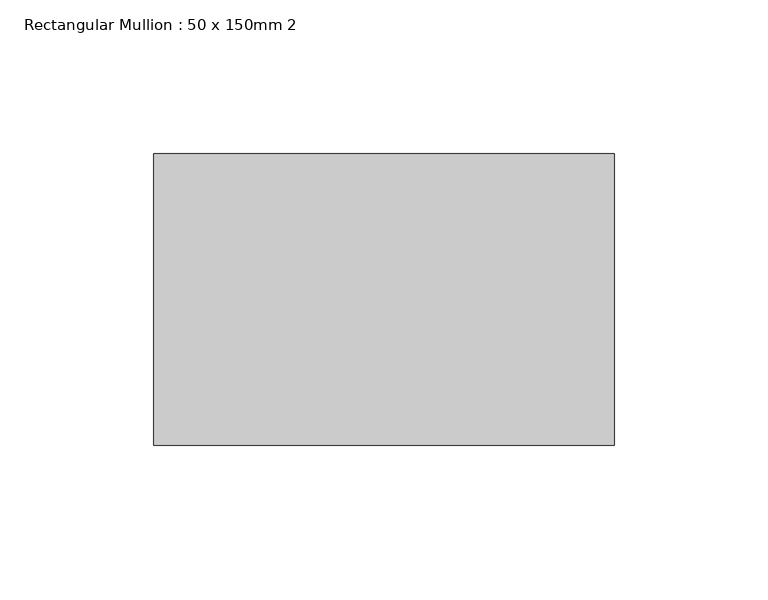
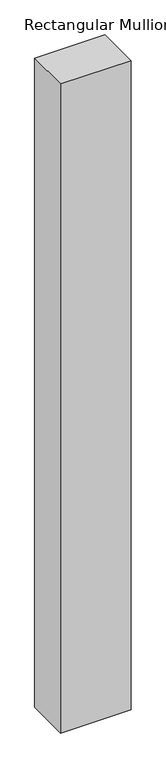
"""IFC4 building model written with IfcOpenShell, lengths in millimetres: member geometry, Rectangular Mullion : 50 x 150mm 2."""

from ifc_helpers import new_model, si_unit, frame, origin, place, context, project, spatial, polyline, outline, extrude, source, transform, mapped, element, save


def rectangular_mullion_50_x_150mm_2_6227da73(model_context):
    return source(origin(), model_context, "Body", "SweptSolid", [
        extrude(outline(polyline([(0.0, 47.5), (0.0, -47.5), (-150.0, -47.5), (-150.0, 47.5), (0.0, 47.5)])), frame((0.0, 0.0, -1460.5), z_axis=(0.0, 0.0, 1.0), x_axis=(1.0, 0.0, 0.0)), (0.0, 0.0, 1.0), 1460.5),
    ])


if __name__ == "__main__":
    model = new_model("IFC4")
    model_context = context("Model", 3, world=origin())
    ifc_project = project(units=[si_unit("LENGTHUNIT", "METRE", prefix="MILLI")], contexts=[model_context])
    site = spatial("IfcSite", under=ifc_project)
    building = spatial("IfcBuilding", under=site)
    placement = place(None, origin())
    rectangular_mullion_50_x_150mm_2_shape = rectangular_mullion_50_x_150mm_2_6227da73(model_context)
    element("IfcMember", 1, ObjectType="Rectangular Mullion : 50 x 150mm 2", at=placement, inside=building, context=model_context, shape_type="MappedRepresentation", body=[
        mapped(rectangular_mullion_50_x_150mm_2_shape, transform((0.0, 0.0, 0.0), x_axis=(1.0, 0.0, 0.0), y_axis=(0.0, 1.0, 0.0), z_axis=(0.0, 0.0, 1.0))),
    ])
    save(model, "model.ifc")
